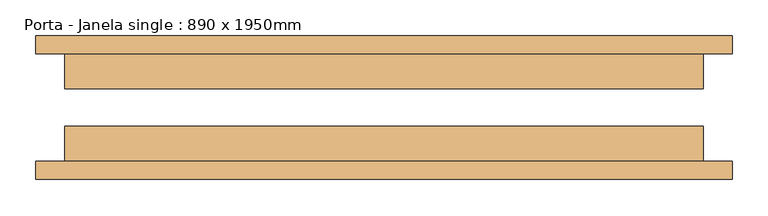
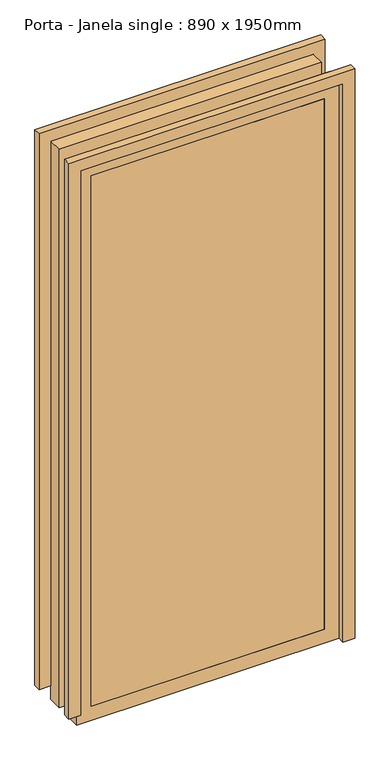
"""IFC4 building model written with IfcOpenShell, lengths in millimetres: door geometry, Porta - Janela single : 890 x 1950mm."""

from ifc_helpers import new_model, si_unit, frame, origin, origin_with_axes, place, context, project, spatial, polyline, outline, extrude, source, transform, mapped, element, save


def porta_janela_single_890_x_1950mm_8ed4ded7(model_context):
    return source(origin(), model_context, "Body", "SweptSolid", [
        extrude(outline(polyline([(2000.0, -445.0), (2000.0, 445.0), (0.0, 445.0), (0.0, 485.0), (2040.0, 485.0), (2040.0, -485.0), (50.0, -485.0), (50.0, -445.0), (2000.0, -445.0)])), frame((0.0, 75.0, 0.0), z_axis=(0.0, 1.0, 0.0), x_axis=(0.0, 0.0, 1.0)), (0.0, 0.0, 1.0), 25.0),
        extrude(outline(polyline([(2000.0, -445.0), (2000.0, 445.0), (0.0, 445.0), (0.0, 485.0), (2040.0, 485.0), (2040.0, -485.0), (50.0, -485.0), (50.0, -445.0), (2000.0, -445.0)])), frame((0.0, -100.0, 0.0), z_axis=(0.0, 1.0, 0.0), x_axis=(0.0, 0.0, 1.0)), (0.0, 0.0, 1.0), 25.0),
        extrude(outline(polyline([(-395.0, -76.2), (-395.0, -26.2), (395.0, -26.2), (395.0, -76.2), (-395.0, -76.2)])), frame((0.0, 0.0, 50.0), z_axis=(0.0, 0.0, 1.0), x_axis=(1.0, 0.0, 0.0)), (0.0, 0.0, 1.0), 1900.0),
        extrude(outline(polyline([(445.0, 76.2), (445.0, 26.2), (-445.0, 26.2), (-445.0, 76.2), (445.0, 76.2)])), origin_with_axes(), (0.0, 0.0, 1.0), 2000.0),
        extrude(outline(polyline([(2000.0, -445.0), (0.0, -445.0), (0.0, 445.0), (2000.0, 445.0), (2000.0, -445.0)]), holes=[polyline([(1950.0, -395.0), (1950.0, 395.0), (50.0, 395.0), (50.0, -395.0), (1950.0, -395.0)])]), frame((0.0, -76.2, 0.0), z_axis=(0.0, 1.0, 0.0), x_axis=(0.0, 0.0, 1.0)), (0.0, 0.0, 1.0), 50.0),
    ])


if __name__ == "__main__":
    model = new_model("IFC4")
    model_context = context("Model", 3, world=origin())
    ifc_project = project(units=[si_unit("LENGTHUNIT", "METRE", prefix="MILLI")], contexts=[model_context])
    site = spatial("IfcSite", under=ifc_project)
    building = spatial("IfcBuilding", under=site)
    placement = place(None, origin())
    porta_janela_single_890_x_1950mm_shape = porta_janela_single_890_x_1950mm_8ed4ded7(model_context)
    element("IfcDoor", 1, ObjectType="Porta - Janela single : 890 x 1950mm", at=placement, inside=building, context=model_context, shape_type="MappedRepresentation", body=[
        mapped(porta_janela_single_890_x_1950mm_shape, transform((0.0, 0.0, 0.0), x_axis=(1.0, 0.0, 0.0), y_axis=(0.0, 1.0, 0.0), z_axis=(0.0, 0.0, 1.0))),
    ])
    save(model, "model.ifc")
